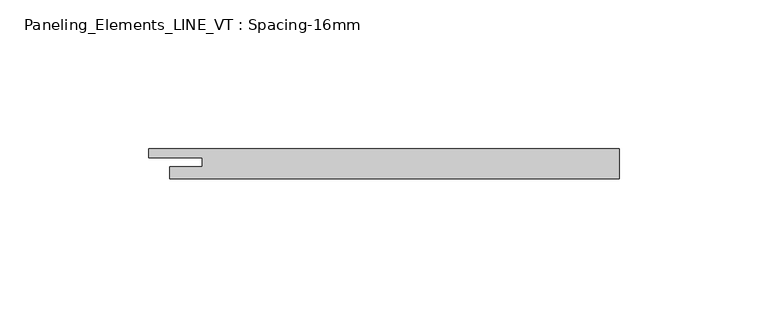
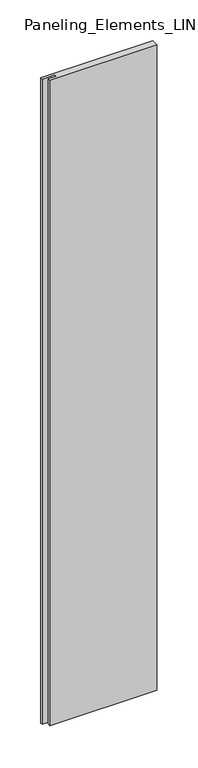
"""IFC4 building model written with IfcOpenShell, lengths in millimetres: plate geometry, Paneling_Elements_LINE_VT : Spacing-16mm."""

from ifc_helpers import new_model, si_unit, origin, origin_with_axes, place, context, project, spatial, polyline, outline, extrude, source, transform, mapped, element, save


def paneling_elements_line_vt_spacing_16mm_ba1734ec(model_context):
    return source(origin(), model_context, "Body", "SweptSolid", [
        extrude(outline(polyline([(75.5, -5.0), (-75.5, -5.0), (-75.5, -1.0), (-64.5, -1.0), (-64.5, 2.0), (-82.5, 2.0), (-82.5, 5.0), (75.5, 5.0), (75.5, -5.0)])), origin_with_axes(), (0.0, 0.0, 1.0), 964.5),
    ])


if __name__ == "__main__":
    model = new_model("IFC4")
    model_context = context("Model", 3, world=origin())
    ifc_project = project(units=[si_unit("LENGTHUNIT", "METRE", prefix="MILLI")], contexts=[model_context])
    site = spatial("IfcSite", under=ifc_project)
    building = spatial("IfcBuilding", under=site)
    placement = place(None, origin())
    paneling_elements_line_vt_spacing_16mm_shape = paneling_elements_line_vt_spacing_16mm_ba1734ec(model_context)
    element("IfcPlate", 1, ObjectType="Paneling_Elements_LINE_VT : Spacing-16mm", at=placement, inside=building, context=model_context, shape_type="MappedRepresentation", body=[
        mapped(paneling_elements_line_vt_spacing_16mm_shape, transform((0.0, 0.0, 0.0), x_axis=(1.0, 0.0, 0.0), y_axis=(0.0, 1.0, 0.0), z_axis=(0.0, 0.0, 1.0))),
    ])
    save(model, "model.ifc")
